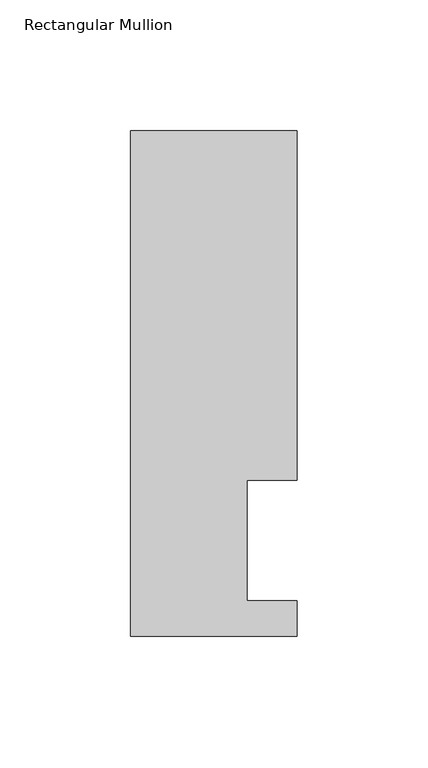
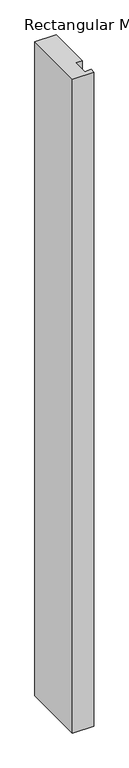
"""IFC4 building model written with IfcOpenShell, lengths in millimetres: member geometry, Rectangular Mullion."""

from ifc_helpers import new_model, si_unit, frame, origin, place, context, project, spatial, polyline, outline, extrude, source, transform, mapped, element, save


def rectangular_mullion_3db50899(model_context):
    return source(origin(), model_context, "Body", "SweptSolid", [
        extrude(outline(polyline([(-31.75, 192.88125), (31.75, 192.88125), (31.75, 59.53125), (12.7, 59.53125), (12.7, 13.50645), (31.75, 13.50645), (31.75, 0.04445), (-31.75, 0.04445), (-31.75, 192.88125)])), frame((0.0, 0.0, -2057.4), z_axis=(0.0, 0.0, 1.0), x_axis=(1.0, 0.0, 0.0)), (0.0, 0.0, 1.0), 2057.4),
    ])


if __name__ == "__main__":
    model = new_model("IFC4")
    model_context = context("Model", 3, world=origin())
    ifc_project = project(units=[si_unit("LENGTHUNIT", "METRE", prefix="MILLI")], contexts=[model_context])
    site = spatial("IfcSite", under=ifc_project)
    building = spatial("IfcBuilding", under=site)
    placement = place(None, origin())
    rectangular_mullion_shape = rectangular_mullion_3db50899(model_context)
    element("IfcMember", 1, ObjectType="Rectangular Mullion", at=placement, inside=building, context=model_context, shape_type="MappedRepresentation", body=[
        mapped(rectangular_mullion_shape, transform((0.0, 0.0, 0.0), x_axis=(1.0, 0.0, 0.0), y_axis=(0.0, 1.0, 0.0), z_axis=(0.0, 0.0, 1.0))),
    ])
    save(model, "model.ifc")
